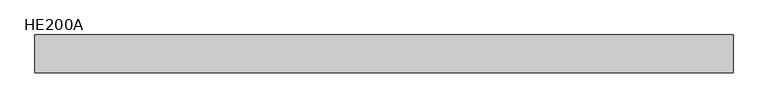
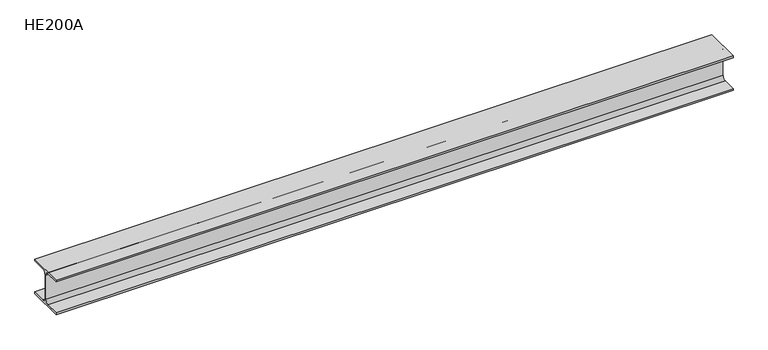
"""IFC4 building model written with IfcOpenShell, lengths in millimetres: beam geometry, HE200A."""

from ifc_helpers import new_model, si_unit, point, frame, frame_2d, origin, place, context, project, spatial, polyline, circle_curve, trimmed, segment, composite_curve, outline, extrude, source, transform, mapped, element, save


def he200a_f7eea7e3(model_context):
    return source(origin(), model_context, "Body", "SweptSolid", [
        extrude(outline(composite_curve([segment(polyline([(100.0, -90.0), (100.0, -100.0), (-100.0, -100.0), (-100.0, -90.0), (-24.0, -90.0)]), True, "CONTINUOUS"), segment(trimmed(circle_curve(frame_2d((-24.0, -70.0)), 20.0), [point((-24.0, -90.0))], [point((-4.0, -70.0))], True, "CARTESIAN"), True, "CONTINUOUS"), segment(polyline([(-4.0, -70.0), (-4.0, 70.0)]), True, "CONTINUOUS"), segment(trimmed(circle_curve(frame_2d((-24.0, 70.0)), 20.0), [point((-4.0, 70.0))], [point((-24.0, 90.0))], True, "CARTESIAN"), True, "CONTINUOUS"), segment(polyline([(-24.0, 90.0), (-100.0, 90.0), (-100.0, 100.0), (100.0, 100.0), (100.0, 90.0), (24.0, 90.0)]), True, "CONTINUOUS"), segment(trimmed(circle_curve(frame_2d((24.0, 70.0)), 20.0), [point((24.0, 90.0))], [point((4.0, 70.0))], True, "CARTESIAN"), True, "CONTINUOUS"), segment(polyline([(4.0, 70.0), (4.0, -70.0)]), True, "CONTINUOUS"), segment(trimmed(circle_curve(frame_2d((24.0, -70.0)), 20.0), [point((4.0, -70.0))], [point((24.0, -90.0))], True, "CARTESIAN"), True, "CONTINUOUS"), segment(polyline([(24.0, -90.0), (100.0, -90.0)]), True, "CONTINUOUS")], self_intersect=False)), frame((-1901.5, 0.0, 0.0), z_axis=(1.0, 0.0, 0.0), x_axis=(0.0, 1.0, 0.0)), (0.0, 0.0, 1.0), 3706.0),
    ])


if __name__ == "__main__":
    model = new_model("IFC4")
    model_context = context("Model", 3, world=origin())
    ifc_project = project(units=[si_unit("LENGTHUNIT", "METRE", prefix="MILLI")], contexts=[model_context])
    site = spatial("IfcSite", under=ifc_project)
    building = spatial("IfcBuilding", under=site)
    placement = place(None, origin())
    he200a_shape = he200a_f7eea7e3(model_context)
    element("IfcBeam", 1, ObjectType="HE200A", at=placement, inside=building, context=model_context, shape_type="MappedRepresentation", body=[
        mapped(he200a_shape, transform((0.0, 0.0, 0.0), x_axis=(1.0, 0.0, 0.0), y_axis=(0.0, 1.0, 0.0), z_axis=(0.0, 0.0, 1.0))),
    ])
    save(model, "model.ifc")
